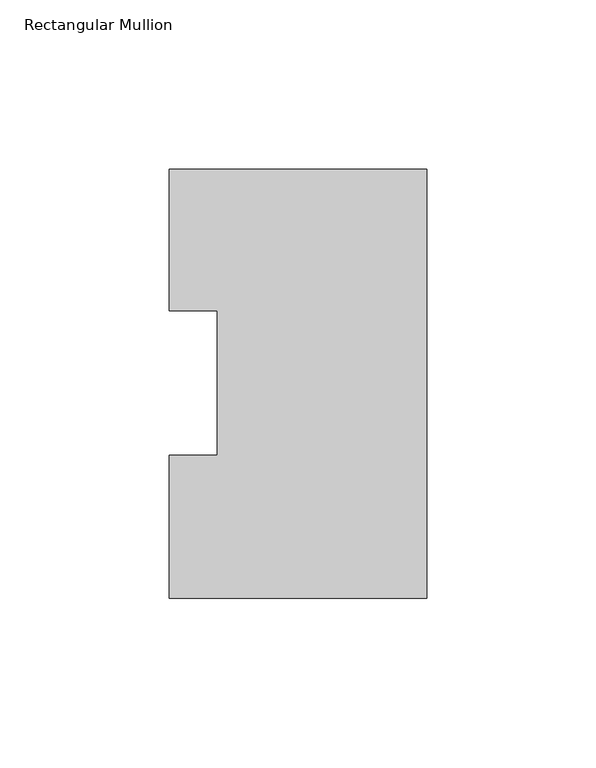
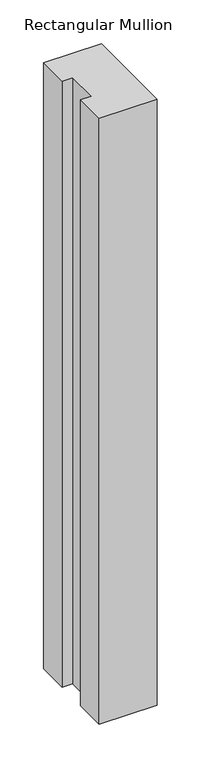
"""IFC4 building model written with IfcOpenShell, lengths in millimetres: member geometry, Rectangular Mullion."""

import ifcopenshell
import ifcopenshell.guid

model = None  # the IFC model being written
_history = None  # IfcOwnerHistory: only IFC2X3 demands one
_inside = {}  # id of a spatial element -> (the spatial element, [elements in it])
_under = {}  # id of a project, library or spatial element -> (it, [spatial elements below it])
_declared = {}  # id of a project -> (the project, [libraries it declares])
_typed = {}  # id of a type object -> (the type object, [elements of that type])
_made_of = {}  # id of a material, layer set ... -> (it, [elements and type objects made of it])


def new_model(schema):
    """Start an empty IFC model of exactly this schema.

    Asked for "IFC4X3", IfcOpenShell would pick the latest addendum, in which some entities
    have other attributes; the version numbers below select the first issue.
    IFC2X3 requires an IfcOwnerHistory on every rooted entity: one is made here for all.
    """
    global model, _history
    if schema == "IFC4X3":
        model = ifcopenshell.file(schema_version=(4, 3, 0, 0))
    else:
        model = ifcopenshell.file(schema=schema)
    _inside.clear()
    _under.clear()
    _declared.clear()
    _typed.clear()
    _made_of.clear()
    _history = None
    if model.schema == "IFC2X3":
        org = make("IfcOrganization", Name="unknown")
        user = make(
            "IfcPersonAndOrganization",
            ThePerson=make("IfcPerson", FamilyName="unknown"),
            TheOrganization=org,
        )
        app = make(
            "IfcApplication",
            ApplicationDeveloper=org,
            Version="unknown",
            ApplicationFullName="unknown",
            ApplicationIdentifier="unknown",
        )
        _history = make(
            "IfcOwnerHistory",
            OwningUser=user,
            OwningApplication=app,
            ChangeAction="ADDED",
            CreationDate=0,
        )
    return model


def make(cls, **values):
    """One entity of the class cls with the attributes given. An attribute that is None is left unset."""
    return model.create_entity(
        cls, **{name: value for name, value in values.items() if value is not None}
    )


def rooted(cls, **values):
    """An entity with a GlobalId (a new one), such as an element, a storey or a relation."""
    return make(cls, GlobalId=ifcopenshell.guid.new(), OwnerHistory=_history, **values)


def si_unit(unit_type, name, prefix=None):
    """IfcSIUnit, for example si_unit("LENGTHUNIT", "METRE", prefix="MILLI")."""
    return make("IfcSIUnit", UnitType=unit_type, Prefix=prefix, Name=name)


def assignment(units):
    """IfcUnitAssignment: the units of a project."""
    return None if units is None else make("IfcUnitAssignment", Units=units)


def point(xyz):
    """IfcCartesianPoint."""
    return None if xyz is None else make("IfcCartesianPoint", Coordinates=xyz)


def direction(xyz):
    """IfcDirection."""
    return None if xyz is None else make("IfcDirection", DirectionRatios=xyz)


def frame(location, z_axis=None, x_axis=None):
    """IfcAxis2Placement3D, a coordinate frame: its origin and axes. An axis left out is left unset."""
    return make(
        "IfcAxis2Placement3D",
        Location=point(location),
        Axis=direction(z_axis),
        RefDirection=direction(x_axis),
    )


def origin():
    """The frame at (0, 0, 0) with its axes left unset."""
    return frame((0.0, 0.0, 0.0))


def place(relative_to, where):
    """IfcLocalPlacement: puts the frame where relative to a parent placement (None: the world)."""
    return make(
        "IfcLocalPlacement", PlacementRelTo=relative_to, RelativePlacement=where
    )


def context(
    kind, dimensions, precision=None, world=None, true_north=None, identifier=None
):
    """IfcGeometricRepresentationContext, for example the 3D "Model" context."""
    return make(
        "IfcGeometricRepresentationContext",
        ContextIdentifier=identifier,
        ContextType=kind,
        CoordinateSpaceDimension=dimensions,
        Precision=precision,
        WorldCoordinateSystem=world,
        TrueNorth=true_north,
    )


def project(units=None, contexts=None):
    """IfcProject with its units and contexts."""
    return rooted(
        "IfcProject",
        Name="project",
        RepresentationContexts=contexts,
        UnitsInContext=assignment(units),
    )


def spatial(cls, under=None, at=None, **own):
    """A site, building, storey or space (cls), placed at a placement, below another one or the project."""
    s = rooted(cls, ObjectPlacement=at, **own)
    if under is not None:
        _under.setdefault(under.id(), (under, []))[1].append(s)
    return s


def polyline(points):
    """IfcPolyline through the points."""
    return make("IfcPolyline", Points=[point(p) for p in points])


def outline(outer, holes=None, kind="AREA"):
    """IfcArbitraryClosedProfileDef: a profile drawn as a closed curve; with holes, ...WithVoids."""
    if holes is None:
        return make("IfcArbitraryClosedProfileDef", ProfileType=kind, OuterCurve=outer)
    return make(
        "IfcArbitraryProfileDefWithVoids",
        ProfileType=kind,
        OuterCurve=outer,
        InnerCurves=holes,
    )


def extrude(swept, where, along, depth):
    """IfcExtrudedAreaSolid: the profile swept, set in the frame where, extruded along a direction by depth."""
    return make(
        "IfcExtrudedAreaSolid",
        SweptArea=swept,
        Position=where,
        ExtrudedDirection=direction(along),
        Depth=depth,
    )


def shape(context_of_items, identifier, shape_type, items):
    """IfcShapeRepresentation: the items that make up one representation, for example the "Body"."""
    return make(
        "IfcShapeRepresentation",
        ContextOfItems=context_of_items,
        RepresentationIdentifier=identifier,
        RepresentationType=shape_type,
        Items=items,
    )


def source(mapping_origin, context_of_items, identifier, shape_type, items):
    """IfcRepresentationMap: a shape defined once, which mapped items show again and again."""
    return make(
        "IfcRepresentationMap",
        MappingOrigin=mapping_origin,
        MappedRepresentation=shape(context_of_items, identifier, shape_type, items),
    )


def transform(
    local_origin,
    x_axis=None,
    y_axis=None,
    z_axis=None,
    scale=None,
    scale2=None,
    scale3=None,
    uniform=True,
):
    """IfcCartesianTransformationOperator3D, or its non-uniform kind. x_axis, y_axis, z_axis: its Axis1, 2, 3."""
    if uniform:
        return make(
            "IfcCartesianTransformationOperator3D",
            Axis1=direction(x_axis),
            Axis2=direction(y_axis),
            LocalOrigin=point(local_origin),
            Scale=scale,
            Axis3=direction(z_axis),
        )
    return make(
        "IfcCartesianTransformationOperator3DnonUniform",
        Axis1=direction(x_axis),
        Axis2=direction(y_axis),
        LocalOrigin=point(local_origin),
        Scale=scale,
        Axis3=direction(z_axis),
        Scale2=scale2,
        Scale3=scale3,
    )


def mapped(mapping_source, mapping_target):
    """IfcMappedItem: shows the shape of a source again, moved by a transform."""
    return make(
        "IfcMappedItem", MappingSource=mapping_source, MappingTarget=mapping_target
    )


def made_of(thing, what):
    """Note that an element or type object is made of a material, layer set ...; save() writes the relation."""
    if what is not None:
        _made_of.setdefault(what.id(), (what, []))[1].append(thing)
    return thing


def element(
    cls,
    number,
    at=None,
    inside=None,
    cuts=None,
    type_object=None,
    material=None,
    context=None,
    identifier="Body",
    shape_type=None,
    held_by="IfcProductDefinitionShape",
    body=None,
    shapes=None,
    **own,
):
    """One element of the class cls, such as IfcWall. Its Tag is "e" and its number.

    at: its placement. inside: the storey or other place that contains it. cuts: it is an
    opening in that element (IfcRelVoidsElement). A single representation is given by context,
    identifier, shape_type and body (its items); several are given by shapes. held_by: the class
    of the entity that holds the representations. save() writes the other relations.
    """
    e = rooted(cls, Tag="e%d" % number, ObjectPlacement=at, **own)
    if body is not None:
        shapes = [shape(context, identifier, shape_type, body)]
    if shapes is not None:
        e.Representation = make(held_by, Representations=shapes)
    if inside is not None:
        _inside.setdefault(inside.id(), (inside, []))[1].append(e)
    if cuts is not None:
        rooted(
            "IfcRelVoidsElement", RelatingBuildingElement=cuts, RelatedOpeningElement=e
        )
    if type_object is not None:
        _typed.setdefault(type_object.id(), (type_object, []))[1].append(e)
    return made_of(e, material)


def aggregate(whole, parts):
    """IfcRelAggregates: a whole, such as a stair, and the parts it consists of."""
    return rooted("IfcRelAggregates", RelatingObject=whole, RelatedObjects=parts)


def save(model, path):
    """Write the relations noted so far, then the file.

    IfcRelAggregates (storeys below a building ...), IfcRelContainedInSpatialStructure (elements
    in a storey), IfcRelDefinesByType, IfcRelAssociatesMaterial and IfcRelDeclares: one each for
    every whole, place, type object, material and project.
    """
    for whole, parts in _under.values():
        aggregate(whole, parts)
    for where, things in _inside.values():
        rooted(
            "IfcRelContainedInSpatialStructure",
            RelatedElements=things,
            RelatingStructure=where,
        )
    for kind, things in _typed.values():
        rooted("IfcRelDefinesByType", RelatedObjects=things, RelatingType=kind)
    for what, things in _made_of.values():
        rooted("IfcRelAssociatesMaterial", RelatedObjects=things, RelatingMaterial=what)
    for by, libraries in _declared.values():
        rooted("IfcRelDeclares", RelatingContext=by, RelatedDefinitions=libraries)
    model.write(path)


def rectangular_mullion_44bc3454(model_context):
    return source(origin(), model_context, "Body", "SweptSolid", [
        extrude(outline(polyline([(0.0, 126.9888875), (0.0, -0.0111125), (-76.1989149, -0.0111125), (-76.1989149, 42.2798875), (-61.9139549, 42.2798875), (-61.9139549, 85.1296875), (-76.1989149, 85.1296875), (-76.1989149, 126.9888875), (0.0, 126.9888875)])), frame((0.0, 0.0, -844.3102709), z_axis=(0.0, 0.0, 1.0), x_axis=(1.0, 0.0, 0.0)), (0.0, 0.0, 1.0), 844.3102709),
    ])


if __name__ == "__main__":
    model = new_model("IFC4")
    model_context = context("Model", 3, world=origin())
    ifc_project = project(units=[si_unit("LENGTHUNIT", "METRE", prefix="MILLI")], contexts=[model_context])
    site = spatial("IfcSite", under=ifc_project)
    building = spatial("IfcBuilding", under=site)
    placement = place(None, origin())
    rectangular_mullion_shape = rectangular_mullion_44bc3454(model_context)
    element("IfcMember", 1, ObjectType="Rectangular Mullion", at=placement, inside=building, context=model_context, shape_type="MappedRepresentation", body=[
        mapped(rectangular_mullion_shape, transform((0.0, 0.0, 0.0), x_axis=(1.0, 0.0, 0.0), y_axis=(0.0, 1.0, 0.0), z_axis=(0.0, 0.0, 1.0))),
    ])
    save(model, "model.ifc")
